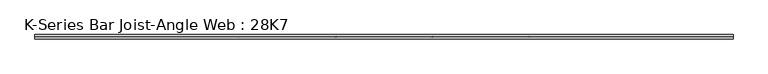
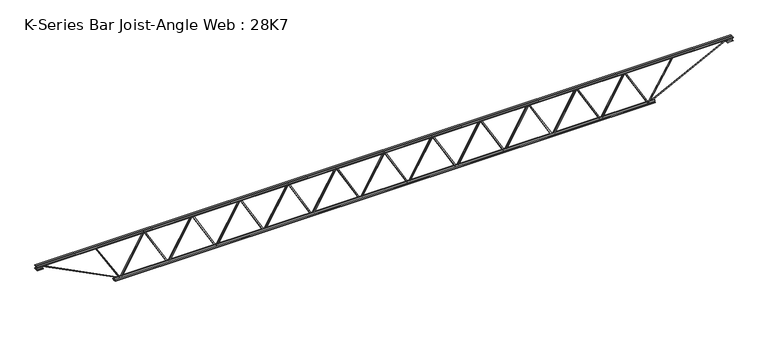
"""IFC4 building model written with IfcOpenShell, lengths in millimetres: beam geometry, K-Series Bar Joist-Angle Web : 28K7."""

from ifc_helpers import new_model, si_unit, frame, origin, place, context, project, spatial, polyline, outline, extrude, faceted_brep, source, transform, mapped, element, save


def k_series_bar_joist_angle_web_28k7_c3dce728(model_context):
    return source(origin(), model_context, "Body", "SolidModel", [
        extrude(outline(polyline([(-4.7625, 4.7625), (-4.7625, 0.0), (-17.4625, 0.0), (-17.4625, 4.7625), (-4.7625, 4.7625)])), frame((3646.3658597, 0.0, -317.5), z_axis=(-0.5000589782106863, 0.0, 0.8659913500208212), x_axis=(0.0, -1.0, 0.0)), (0.0, 0.0, 1.0), 733.2636752),
        extrude(outline(polyline([(-352.425, 3678.3818182), (-333.375, 3678.3818182), (-333.375, 3677.530647), (352.425, 3281.5215561), (352.425, 3263.3227273), (333.375, 3263.3227273), (333.375, 3270.5238984), (-352.425, 3666.5329893), (-352.425, 3678.3818182)])), frame((0.0, 0.0, 0.0), z_axis=(0.0, 1.0, 0.0), x_axis=(0.0, 0.0, 1.0)), (0.0, 0.0, 1.0), 4.7625),
        faceted_brep([(2860.9636364, 0.0, -333.375), (2860.9636364, 0.0, -352.425), (2860.9636364, -4.7625, -352.425), (2860.9636364, -4.7625, -333.375), (2861.8148075, 0.0, -333.375), (3257.8238984, 0.0, 352.425), (3276.0227273, 0.0, 352.425), (3276.0227273, 0.0, 333.375), (3268.8215561, 0.0, 333.375), (2872.8124652, 0.0, -352.425), (2872.8124652, -4.7625, -352.425), (2892.9795949, -4.7625, -317.5), (2888.8553111, -4.7625, -315.1184691), (3255.5303952, -4.7625, 319.8815309), (3259.654679, -4.7625, 317.5), (3268.8215561, -4.7625, 333.375), (3276.0227273, -4.7625, 333.375), (3276.0227273, -4.7625, 352.425), (3257.8238984, -4.7625, 352.425), (2861.8148075, -4.7625, -333.375), (3259.654679, -17.4625, 317.5), (2892.9795949, -17.4625, -317.5), (2888.8553111, -17.4625, -315.1184691), (3255.5303952, -17.4625, 319.8815309)], [[[0, 1, 2, 3]], [[1, 0, 4, 5, 6, 7, 8, 9]], [[2, 1, 9, 10]], [[3, 2, 10, 11, 12, 13, 14, 15, 16, 17, 18, 19]], [[0, 3, 19, 4]], [[9, 8, 15, 14, 20, 21, 11, 10]], [[5, 4, 19, 18]], [[7, 6, 17, 16]], [[8, 7, 16, 15]], [[6, 5, 18, 17]], [[21, 22, 12, 11]], [[20, 14, 13, 23]], [[22, 21, 20, 23]], [[12, 22, 23, 13]]]),
        extrude(outline(polyline([(-4.7625, 4.7625), (-4.7625, 0.0), (-17.4625, 0.0), (-17.4625, 4.7625), (-4.7625, 4.7625)])), frame((2828.9476779, 0.0, -317.5), z_axis=(-0.5000589782106863, 0.0, 0.8659913500208212), x_axis=(0.0, -1.0, 0.0)), (0.0, 0.0, 1.0), 733.2636752),
        extrude(outline(polyline([(-352.425, 2860.9636364), (-333.375, 2860.9636364), (-333.375, 2860.1124652), (352.425, 2464.1033743), (352.425, 2445.9045455), (333.375, 2445.9045455), (333.375, 2453.1057166), (-352.425, 2849.1148075), (-352.425, 2860.9636364)])), frame((0.0, 0.0, 0.0), z_axis=(0.0, 1.0, 0.0), x_axis=(0.0, 0.0, 1.0)), (0.0, 0.0, 1.0), 4.7625),
        faceted_brep([(2043.5454545, 0.0, -333.375), (2043.5454545, 0.0, -352.425), (2043.5454545, -4.7625, -352.425), (2043.5454545, -4.7625, -333.375), (2044.3966257, 0.0, -333.375), (2440.4057166, 0.0, 352.425), (2458.6045455, 0.0, 352.425), (2458.6045455, 0.0, 333.375), (2451.4033743, 0.0, 333.375), (2055.3942834, 0.0, -352.425), (2055.3942834, -4.7625, -352.425), (2075.561413, -4.7625, -317.5), (2071.4371292, -4.7625, -315.1184691), (2438.1122134, -4.7625, 319.8815309), (2442.2364972, -4.7625, 317.5), (2451.4033743, -4.7625, 333.375), (2458.6045455, -4.7625, 333.375), (2458.6045455, -4.7625, 352.425), (2440.4057166, -4.7625, 352.425), (2044.3966257, -4.7625, -333.375), (2442.2364972, -17.4625, 317.5), (2075.561413, -17.4625, -317.5), (2071.4371292, -17.4625, -315.1184691), (2438.1122134, -17.4625, 319.8815309)], [[[0, 1, 2, 3]], [[1, 0, 4, 5, 6, 7, 8, 9]], [[2, 1, 9, 10]], [[3, 2, 10, 11, 12, 13, 14, 15, 16, 17, 18, 19]], [[0, 3, 19, 4]], [[9, 8, 15, 14, 20, 21, 11, 10]], [[5, 4, 19, 18]], [[7, 6, 17, 16]], [[8, 7, 16, 15]], [[6, 5, 18, 17]], [[21, 22, 12, 11]], [[20, 14, 13, 23]], [[22, 21, 20, 23]], [[12, 22, 23, 13]]]),
        extrude(outline(polyline([(-4.7625, 4.7625), (-4.7625, 0.0), (-17.4625, 0.0), (-17.4625, 4.7625), (-4.7625, 4.7625)])), frame((2011.5294961, 0.0, -317.5), z_axis=(-0.5000589782106863, 0.0, 0.8659913500208212), x_axis=(0.0, -1.0, 0.0)), (0.0, 0.0, 1.0), 733.2636752),
        extrude(outline(polyline([(-352.425, 2043.5454545), (-333.375, 2043.5454545), (-333.375, 2042.6942834), (352.425, 1646.6851925), (352.425, 1628.4863636), (333.375, 1628.4863636), (333.375, 1635.6875348), (-352.425, 2031.6966257), (-352.425, 2043.5454545)])), frame((0.0, 0.0, 0.0), z_axis=(0.0, 1.0, 0.0), x_axis=(0.0, 0.0, 1.0)), (0.0, 0.0, 1.0), 4.7625),
        faceted_brep([(1226.1272727, 0.0, -333.375), (1226.1272727, 0.0, -352.425), (1226.1272727, -4.7625, -352.425), (1226.1272727, -4.7625, -333.375), (1226.9784439, 0.0, -333.375), (1622.9875348, 0.0, 352.425), (1641.1863636, 0.0, 352.425), (1641.1863636, 0.0, 333.375), (1633.9851925, 0.0, 333.375), (1237.9761016, 0.0, -352.425), (1237.9761016, -4.7625, -352.425), (1258.1432312, -4.7625, -317.5), (1254.0189474, -4.7625, -315.1184691), (1620.6940316, -4.7625, 319.8815309), (1624.8183154, -4.7625, 317.5), (1633.9851925, -4.7625, 333.375), (1641.1863636, -4.7625, 333.375), (1641.1863636, -4.7625, 352.425), (1622.9875348, -4.7625, 352.425), (1226.9784439, -4.7625, -333.375), (1624.8183154, -17.4625, 317.5), (1258.1432312, -17.4625, -317.5), (1254.0189474, -17.4625, -315.1184691), (1620.6940316, -17.4625, 319.8815309)], [[[0, 1, 2, 3]], [[1, 0, 4, 5, 6, 7, 8, 9]], [[2, 1, 9, 10]], [[3, 2, 10, 11, 12, 13, 14, 15, 16, 17, 18, 19]], [[0, 3, 19, 4]], [[9, 8, 15, 14, 20, 21, 11, 10]], [[5, 4, 19, 18]], [[7, 6, 17, 16]], [[8, 7, 16, 15]], [[6, 5, 18, 17]], [[21, 22, 12, 11]], [[20, 14, 13, 23]], [[22, 21, 20, 23]], [[12, 22, 23, 13]]]),
        extrude(outline(polyline([(-4.7625, 4.7625), (-4.7625, 0.0), (-17.4625, 0.0), (-17.4625, 4.7625), (-4.7625, 4.7625)])), frame((1194.1113142, 0.0, -317.5), z_axis=(-0.5000589782106863, 0.0, 0.8659913500208212), x_axis=(0.0, -1.0, 0.0)), (0.0, 0.0, 1.0), 733.2636752),
        extrude(outline(polyline([(-352.425, 1226.1272727), (-333.375, 1226.1272727), (-333.375, 1225.2761016), (352.425, 829.2670107), (352.425, 811.0681818), (333.375, 811.0681818), (333.375, 818.269353), (-352.425, 1214.2784439), (-352.425, 1226.1272727)])), frame((0.0, 0.0, 0.0), z_axis=(0.0, 1.0, 0.0), x_axis=(0.0, 0.0, 1.0)), (0.0, 0.0, 1.0), 4.7625),
        faceted_brep([(408.7090909, 0.0, -333.375), (408.7090909, 0.0, -352.425), (408.7090909, -4.7625, -352.425), (408.7090909, -4.7625, -333.375), (409.560262, 0.0, -333.375), (805.569353, 0.0, 352.425), (823.7681818, 0.0, 352.425), (823.7681818, 0.0, 333.375), (816.5670107, 0.0, 333.375), (420.5579198, 0.0, -352.425), (420.5579198, -4.7625, -352.425), (440.7250494, -4.7625, -317.5), (436.6007656, -4.7625, -315.1184691), (803.2758498, -4.7625, 319.8815309), (807.4001336, -4.7625, 317.5), (816.5670107, -4.7625, 333.375), (823.7681818, -4.7625, 333.375), (823.7681818, -4.7625, 352.425), (805.569353, -4.7625, 352.425), (409.560262, -4.7625, -333.375), (807.4001336, -17.4625, 317.5), (440.7250494, -17.4625, -317.5), (436.6007656, -17.4625, -315.1184691), (803.2758498, -17.4625, 319.8815309)], [[[0, 1, 2, 3]], [[1, 0, 4, 5, 6, 7, 8, 9]], [[2, 1, 9, 10]], [[3, 2, 10, 11, 12, 13, 14, 15, 16, 17, 18, 19]], [[0, 3, 19, 4]], [[9, 8, 15, 14, 20, 21, 11, 10]], [[5, 4, 19, 18]], [[7, 6, 17, 16]], [[8, 7, 16, 15]], [[6, 5, 18, 17]], [[21, 22, 12, 11]], [[20, 14, 13, 23]], [[22, 21, 20, 23]], [[12, 22, 23, 13]]]),
        extrude(outline(polyline([(-4.7625, 4.7625), (-4.7625, 0.0), (-17.4625, 0.0), (-17.4625, 4.7625), (-4.7625, 4.7625)])), frame((376.6931324, 0.0, -317.5), z_axis=(-0.5000589782106863, 0.0, 0.8659913500208212), x_axis=(0.0, -1.0, 0.0)), (0.0, 0.0, 1.0), 733.2636752),
        extrude(outline(polyline([(-352.425, 408.7090909), (-333.375, 408.7090909), (-333.375, 407.8579198), (352.425, 11.8488289), (352.425, -6.35), (333.375, -6.35), (333.375, 0.8511711), (-352.425, 396.860262), (-352.425, 408.7090909)])), frame((0.0, 0.0, 0.0), z_axis=(0.0, 1.0, 0.0), x_axis=(0.0, 0.0, 1.0)), (0.0, 0.0, 1.0), 4.7625),
        faceted_brep([(-408.7090909, 0.0, -333.375), (-408.7090909, 0.0, -352.425), (-408.7090909, -4.7625, -352.425), (-408.7090909, -4.7625, -333.375), (-407.8579198, 0.0, -333.375), (-11.8488289, 0.0, 352.425), (6.35, 0.0, 352.425), (6.35, 0.0, 333.375), (-0.8511711, 0.0, 333.375), (-396.860262, 0.0, -352.425), (-396.860262, -4.7625, -352.425), (-376.6931324, -4.7625, -317.5), (-380.8174162, -4.7625, -315.1184691), (-14.142332, -4.7625, 319.8815309), (-10.0180482, -4.7625, 317.5), (-0.8511711, -4.7625, 333.375), (6.35, -4.7625, 333.375), (6.35, -4.7625, 352.425), (-11.8488289, -4.7625, 352.425), (-407.8579198, -4.7625, -333.375), (-10.0180482, -17.4625, 317.5), (-376.6931324, -17.4625, -317.5), (-380.8174162, -17.4625, -315.1184691), (-14.142332, -17.4625, 319.8815309)], [[[0, 1, 2, 3]], [[1, 0, 4, 5, 6, 7, 8, 9]], [[2, 1, 9, 10]], [[3, 2, 10, 11, 12, 13, 14, 15, 16, 17, 18, 19]], [[0, 3, 19, 4]], [[9, 8, 15, 14, 20, 21, 11, 10]], [[5, 4, 19, 18]], [[7, 6, 17, 16]], [[8, 7, 16, 15]], [[6, 5, 18, 17]], [[21, 22, 12, 11]], [[20, 14, 13, 23]], [[22, 21, 20, 23]], [[12, 22, 23, 13]]]),
        extrude(outline(polyline([(-4.7625, 4.7625), (-4.7625, 0.0), (-17.4625, 0.0), (-17.4625, 4.7625), (-4.7625, 4.7625)])), frame((-440.7250494, 0.0, -317.5), z_axis=(-0.5000589782106863, 0.0, 0.8659913500208212), x_axis=(0.0, -1.0, 0.0)), (0.0, 0.0, 1.0), 733.2636752),
        extrude(outline(polyline([(-352.425, -408.7090909), (-333.375, -408.7090909), (-333.375, -409.560262), (352.425, -805.569353), (352.425, -823.7681818), (333.375, -823.7681818), (333.375, -816.5670107), (-352.425, -420.5579198), (-352.425, -408.7090909)])), frame((0.0, 0.0, 0.0), z_axis=(0.0, 1.0, 0.0), x_axis=(0.0, 0.0, 1.0)), (0.0, 0.0, 1.0), 4.7625),
        faceted_brep([(-1226.1272727, 0.0, -333.375), (-1226.1272727, 0.0, -352.425), (-1226.1272727, -4.7625, -352.425), (-1226.1272727, -4.7625, -333.375), (-1225.2761016, 0.0, -333.375), (-829.2670107, 0.0, 352.425), (-811.0681818, 0.0, 352.425), (-811.0681818, 0.0, 333.375), (-818.269353, 0.0, 333.375), (-1214.2784439, 0.0, -352.425), (-1214.2784439, -4.7625, -352.425), (-1194.1113142, -4.7625, -317.5), (-1198.235598, -4.7625, -315.1184691), (-831.5605139, -4.7625, 319.8815309), (-827.4362301, -4.7625, 317.5), (-818.269353, -4.7625, 333.375), (-811.0681818, -4.7625, 333.375), (-811.0681818, -4.7625, 352.425), (-829.2670107, -4.7625, 352.425), (-1225.2761016, -4.7625, -333.375), (-827.4362301, -17.4625, 317.5), (-1194.1113142, -17.4625, -317.5), (-1198.235598, -17.4625, -315.1184691), (-831.5605139, -17.4625, 319.8815309)], [[[0, 1, 2, 3]], [[1, 0, 4, 5, 6, 7, 8, 9]], [[2, 1, 9, 10]], [[3, 2, 10, 11, 12, 13, 14, 15, 16, 17, 18, 19]], [[0, 3, 19, 4]], [[9, 8, 15, 14, 20, 21, 11, 10]], [[5, 4, 19, 18]], [[7, 6, 17, 16]], [[8, 7, 16, 15]], [[6, 5, 18, 17]], [[21, 22, 12, 11]], [[20, 14, 13, 23]], [[22, 21, 20, 23]], [[12, 22, 23, 13]]]),
        extrude(outline(polyline([(-4.7625, 4.7625), (-4.7625, 0.0), (-17.4625, 0.0), (-17.4625, 4.7625), (-4.7625, 4.7625)])), frame((-1258.1432312, 0.0, -317.5), z_axis=(-0.5000589782106863, 0.0, 0.8659913500208212), x_axis=(0.0, -1.0, 0.0)), (0.0, 0.0, 1.0), 733.2636752),
        extrude(outline(polyline([(-352.425, -1226.1272727), (-333.375, -1226.1272727), (-333.375, -1226.9784439), (352.425, -1622.9875348), (352.425, -1641.1863636), (333.375, -1641.1863636), (333.375, -1633.9851925), (-352.425, -1237.9761016), (-352.425, -1226.1272727)])), frame((0.0, 0.0, 0.0), z_axis=(0.0, 1.0, 0.0), x_axis=(0.0, 0.0, 1.0)), (0.0, 0.0, 1.0), 4.7625),
        faceted_brep([(-2043.5454545, 0.0, -333.375), (-2043.5454545, 0.0, -352.425), (-2043.5454545, -4.7625, -352.425), (-2043.5454545, -4.7625, -333.375), (-2042.6942834, 0.0, -333.375), (-1646.6851925, 0.0, 352.425), (-1628.4863636, 0.0, 352.425), (-1628.4863636, 0.0, 333.375), (-1635.6875348, 0.0, 333.375), (-2031.6966257, 0.0, -352.425), (-2031.6966257, -4.7625, -352.425), (-2011.5294961, -4.7625, -317.5), (-2015.6537799, -4.7625, -315.1184691), (-1648.9786957, -4.7625, 319.8815309), (-1644.8544119, -4.7625, 317.5), (-1635.6875348, -4.7625, 333.375), (-1628.4863636, -4.7625, 333.375), (-1628.4863636, -4.7625, 352.425), (-1646.6851925, -4.7625, 352.425), (-2042.6942834, -4.7625, -333.375), (-1644.8544119, -17.4625, 317.5), (-2011.5294961, -17.4625, -317.5), (-2015.6537799, -17.4625, -315.1184691), (-1648.9786957, -17.4625, 319.8815309)], [[[0, 1, 2, 3]], [[1, 0, 4, 5, 6, 7, 8, 9]], [[2, 1, 9, 10]], [[3, 2, 10, 11, 12, 13, 14, 15, 16, 17, 18, 19]], [[0, 3, 19, 4]], [[9, 8, 15, 14, 20, 21, 11, 10]], [[5, 4, 19, 18]], [[7, 6, 17, 16]], [[8, 7, 16, 15]], [[6, 5, 18, 17]], [[21, 22, 12, 11]], [[20, 14, 13, 23]], [[22, 21, 20, 23]], [[12, 22, 23, 13]]]),
        extrude(outline(polyline([(-4.7625, 4.7625), (-4.7625, 0.0), (-17.4625, 0.0), (-17.4625, 4.7625), (-4.7625, 4.7625)])), frame((-2075.561413, 0.0, -317.5), z_axis=(-0.5000589782106863, 0.0, 0.8659913500208212), x_axis=(0.0, -1.0, 0.0)), (0.0, 0.0, 1.0), 733.2636752),
        extrude(outline(polyline([(-352.425, -2043.5454545), (-333.375, -2043.5454545), (-333.375, -2044.3966257), (352.425, -2440.4057166), (352.425, -2458.6045455), (333.375, -2458.6045455), (333.375, -2451.4033743), (-352.425, -2055.3942834), (-352.425, -2043.5454545)])), frame((0.0, 0.0, 0.0), z_axis=(0.0, 1.0, 0.0), x_axis=(0.0, 0.0, 1.0)), (0.0, 0.0, 1.0), 4.7625),
        faceted_brep([(-2860.9636364, 0.0, -333.375), (-2860.9636364, 0.0, -352.425), (-2860.9636364, -4.7625, -352.425), (-2860.9636364, -4.7625, -333.375), (-2860.1124652, 0.0, -333.375), (-2464.1033743, 0.0, 352.425), (-2445.9045455, 0.0, 352.425), (-2445.9045455, 0.0, 333.375), (-2453.1057166, 0.0, 333.375), (-2849.1148075, 0.0, -352.425), (-2849.1148075, -4.7625, -352.425), (-2828.9476779, -4.7625, -317.5), (-2833.0719617, -4.7625, -315.1184691), (-2466.3968775, -4.7625, 319.8815309), (-2462.2725937, -4.7625, 317.5), (-2453.1057166, -4.7625, 333.375), (-2445.9045455, -4.7625, 333.375), (-2445.9045455, -4.7625, 352.425), (-2464.1033743, -4.7625, 352.425), (-2860.1124652, -4.7625, -333.375), (-2462.2725937, -17.4625, 317.5), (-2828.9476779, -17.4625, -317.5), (-2833.0719617, -17.4625, -315.1184691), (-2466.3968775, -17.4625, 319.8815309)], [[[0, 1, 2, 3]], [[1, 0, 4, 5, 6, 7, 8, 9]], [[2, 1, 9, 10]], [[3, 2, 10, 11, 12, 13, 14, 15, 16, 17, 18, 19]], [[0, 3, 19, 4]], [[9, 8, 15, 14, 20, 21, 11, 10]], [[5, 4, 19, 18]], [[7, 6, 17, 16]], [[8, 7, 16, 15]], [[6, 5, 18, 17]], [[21, 22, 12, 11]], [[20, 14, 13, 23]], [[22, 21, 20, 23]], [[12, 22, 23, 13]]]),
        extrude(outline(polyline([(-4.7625, 4.7625), (-4.7625, 0.0), (-17.4625, 0.0), (-17.4625, 4.7625), (-4.7625, 4.7625)])), frame((-2892.9795949, 0.0, -317.5), z_axis=(-0.5000589782106863, 0.0, 0.8659913500208212), x_axis=(0.0, -1.0, 0.0)), (0.0, 0.0, 1.0), 733.2636752),
        extrude(outline(polyline([(-352.425, -2860.9636364), (-333.375, -2860.9636364), (-333.375, -2861.8148075), (352.425, -3257.8238984), (352.425, -3276.0227273), (333.375, -3276.0227273), (333.375, -3268.8215561), (-352.425, -2872.8124652), (-352.425, -2860.9636364)])), frame((0.0, 0.0, 0.0), z_axis=(0.0, 1.0, 0.0), x_axis=(0.0, 0.0, 1.0)), (0.0, 0.0, 1.0), 4.7625),
        faceted_brep([(-3678.3818182, 0.0, -333.375), (-3678.3818182, 0.0, -352.425), (-3678.3818182, -4.7625, -352.425), (-3678.3818182, -4.7625, -333.375), (-3677.530647, 0.0, -333.375), (-3281.5215561, 0.0, 352.425), (-3263.3227273, 0.0, 352.425), (-3263.3227273, 0.0, 333.375), (-3270.5238984, 0.0, 333.375), (-3666.5329893, 0.0, -352.425), (-3666.5329893, -4.7625, -352.425), (-3646.3658597, -4.7625, -317.5), (-3650.4901435, -4.7625, -315.1184691), (-3283.8150593, -4.7625, 319.8815309), (-3279.6907755, -4.7625, 317.5), (-3270.5238984, -4.7625, 333.375), (-3263.3227273, -4.7625, 333.375), (-3263.3227273, -4.7625, 352.425), (-3281.5215561, -4.7625, 352.425), (-3677.530647, -4.7625, -333.375), (-3279.6907755, -17.4625, 317.5), (-3646.3658597, -17.4625, -317.5), (-3650.4901435, -17.4625, -315.1184691), (-3283.8150593, -17.4625, 319.8815309)], [[[0, 1, 2, 3]], [[1, 0, 4, 5, 6, 7, 8, 9]], [[2, 1, 9, 10]], [[3, 2, 10, 11, 12, 13, 14, 15, 16, 17, 18, 19]], [[0, 3, 19, 4]], [[9, 8, 15, 14, 20, 21, 11, 10]], [[5, 4, 19, 18]], [[7, 6, 17, 16]], [[8, 7, 16, 15]], [[6, 5, 18, 17]], [[21, 22, 12, 11]], [[20, 14, 13, 23]], [[22, 21, 20, 23]], [[12, 22, 23, 13]]]),
        extrude(outline(polyline([(-4.7625, 4.7625), (-4.7625, 0.0), (-17.4625, 0.0), (-17.4625, 4.7625), (-4.7625, 4.7625)])), frame((4463.7840415, 0.0, -317.5), z_axis=(-0.5000589782106863, 0.0, 0.8659913500208212), x_axis=(0.0, -1.0, 0.0)), (0.0, 0.0, 1.0), 733.2636752),
        extrude(outline(polyline([(-352.425, 4495.8), (-333.375, 4495.8), (-333.375, 4494.9488289), (352.425, 4098.939738), (352.425, 4080.7409091), (333.375, 4080.7409091), (333.375, 4087.9420802), (-352.425, 4483.9511711), (-352.425, 4495.8)])), frame((0.0, 0.0, 0.0), z_axis=(0.0, 1.0, 0.0), x_axis=(0.0, 0.0, 1.0)), (0.0, 0.0, 1.0), 4.7625),
        faceted_brep([(3678.3818182, 0.0, -333.375), (3678.3818182, 0.0, -352.425), (3678.3818182, -4.7625, -352.425), (3678.3818182, -4.7625, -333.375), (3679.2329893, 0.0, -333.375), (4075.2420802, 0.0, 352.425), (4093.4409091, 0.0, 352.425), (4093.4409091, 0.0, 333.375), (4086.239738, 0.0, 333.375), (3690.230647, 0.0, -352.425), (3690.230647, -4.7625, -352.425), (3710.3977767, -4.7625, -317.5), (3706.2734929, -4.7625, -315.1184691), (4072.948577, -4.7625, 319.8815309), (4077.0728609, -4.7625, 317.5), (4086.239738, -4.7625, 333.375), (4093.4409091, -4.7625, 333.375), (4093.4409091, -4.7625, 352.425), (4075.2420802, -4.7625, 352.425), (3679.2329893, -4.7625, -333.375), (4077.0728609, -17.4625, 317.5), (3710.3977767, -17.4625, -317.5), (3706.2734929, -17.4625, -315.1184691), (4072.948577, -17.4625, 319.8815309)], [[[0, 1, 2, 3]], [[1, 0, 4, 5, 6, 7, 8, 9]], [[2, 1, 9, 10]], [[3, 2, 10, 11, 12, 13, 14, 15, 16, 17, 18, 19]], [[0, 3, 19, 4]], [[9, 8, 15, 14, 20, 21, 11, 10]], [[5, 4, 19, 18]], [[7, 6, 17, 16]], [[8, 7, 16, 15]], [[6, 5, 18, 17]], [[21, 22, 12, 11]], [[20, 14, 13, 23]], [[22, 21, 20, 23]], [[12, 22, 23, 13]]]),
        extrude(outline(polyline([(-4.7625, 4.7625), (-4.7625, 0.0), (-17.4625, 0.0), (-17.4625, 4.7625), (-4.7625, 4.7625)])), frame((-3710.3977767, 0.0, -317.5), z_axis=(-0.5000589782106863, 0.0, 0.8659913500208212), x_axis=(0.0, -1.0, 0.0)), (0.0, 0.0, 1.0), 733.2636752),
        extrude(outline(polyline([(-352.425, -3678.3818182), (-333.375, -3678.3818182), (-333.375, -3679.2329893), (352.425, -4075.2420802), (352.425, -4093.4409091), (333.375, -4093.4409091), (333.375, -4086.239738), (-352.425, -3690.230647), (-352.425, -3678.3818182)])), frame((0.0, 0.0, 0.0), z_axis=(0.0, 1.0, 0.0), x_axis=(0.0, 0.0, 1.0)), (0.0, 0.0, 1.0), 4.7625),
        faceted_brep([(-4495.8, 0.0, -333.375), (-4495.8, 0.0, -352.425), (-4495.8, -4.7625, -352.425), (-4495.8, -4.7625, -333.375), (-4494.9488289, 0.0, -333.375), (-4098.939738, 0.0, 352.425), (-4080.7409091, 0.0, 352.425), (-4080.7409091, 0.0, 333.375), (-4087.9420802, 0.0, 333.375), (-4483.9511711, 0.0, -352.425), (-4483.9511711, -4.7625, -352.425), (-4463.7840415, -4.7625, -317.5), (-4467.9083253, -4.7625, -315.1184691), (-4101.2332411, -4.7625, 319.8815309), (-4097.1089573, -4.7625, 317.5), (-4087.9420802, -4.7625, 333.375), (-4080.7409091, -4.7625, 333.375), (-4080.7409091, -4.7625, 352.425), (-4098.939738, -4.7625, 352.425), (-4494.9488289, -4.7625, -333.375), (-4097.1089573, -17.4625, 317.5), (-4463.7840415, -17.4625, -317.5), (-4467.9083253, -17.4625, -315.1184691), (-4101.2332411, -17.4625, 319.8815309)], [[[0, 1, 2, 3]], [[1, 0, 4, 5, 6, 7, 8, 9]], [[2, 1, 9, 10]], [[3, 2, 10, 11, 12, 13, 14, 15, 16, 17, 18, 19]], [[0, 3, 19, 4]], [[9, 8, 15, 14, 20, 21, 11, 10]], [[5, 4, 19, 18]], [[7, 6, 17, 16]], [[8, 7, 16, 15]], [[6, 5, 18, 17]], [[21, 22, 12, 11]], [[20, 14, 13, 23]], [[22, 21, 20, 23]], [[12, 22, 23, 13]]]),
        extrude(outline(polyline([(4.7625, 355.6), (36.5125, 355.6), (36.5125, 349.25), (11.1125, 349.25), (11.1125, 323.85), (4.7625, 323.85), (4.7625, 355.6)])), frame((-5918.2, 0.0, 0.0), z_axis=(1.0, 0.0, 0.0), x_axis=(0.0, 1.0, 0.0)), (0.0, 0.0, 1.0), 11836.4),
        extrude(outline(polyline([(-4.7625, 355.6), (-4.7625, 323.85), (-11.1125, 323.85), (-11.1125, 349.25), (-36.5125, 349.25), (-36.5125, 355.6), (-4.7625, 355.6)])), frame((-5918.2, 0.0, 0.0), z_axis=(1.0, 0.0, 0.0), x_axis=(0.0, 1.0, 0.0)), (0.0, 0.0, 1.0), 11836.4),
        extrude(outline(polyline([(-4.7625, 292.1), (-36.5125, 292.1), (-36.5125, 298.45), (-11.1125, 298.45), (-11.1125, 323.85), (-4.7625, 323.85), (-4.7625, 292.1)])), frame((-5918.2, 0.0, 0.0), z_axis=(1.0, 0.0, 0.0), x_axis=(0.0, 1.0, 0.0)), (0.0, 0.0, 1.0), 101.6),
        extrude(outline(polyline([(36.5125, 292.1), (4.7625, 292.1), (4.7625, 323.85), (11.1125, 323.85), (11.1125, 298.45), (36.5125, 298.45), (36.5125, 292.1)])), frame((-5918.2, 0.0, 0.0), z_axis=(1.0, 0.0, 0.0), x_axis=(0.0, 1.0, 0.0)), (0.0, 0.0, 1.0), 101.6),
        extrude(outline(polyline([(4.7625, 292.1), (4.7625, 323.85), (11.1125, 323.85), (11.1125, 298.45), (36.5125, 298.45), (36.5125, 292.1), (4.7625, 292.1)])), frame((5816.6, 0.0, 0.0), z_axis=(1.0, 0.0, 0.0), x_axis=(0.0, 1.0, 0.0)), (0.0, 0.0, 1.0), 101.6),
        extrude(outline(polyline([(-4.7625, 292.1), (-36.5125, 292.1), (-36.5125, 298.45), (-11.1125, 298.45), (-11.1125, 323.85), (-4.7625, 323.85), (-4.7625, 292.1)])), frame((5816.6, 0.0, 0.0), z_axis=(1.0, 0.0, 0.0), x_axis=(0.0, 1.0, 0.0)), (0.0, 0.0, 1.0), 101.6),
        extrude(outline(polyline([(4.7625, -355.6), (4.7625, -323.85), (11.1125, -323.85), (11.1125, -349.25), (36.5125, -349.25), (36.5125, -355.6), (4.7625, -355.6)])), frame((-4597.4, 0.0, 0.0), z_axis=(1.0, 0.0, 0.0), x_axis=(0.0, 1.0, 0.0)), (0.0, 0.0, 1.0), 9194.8),
        extrude(outline(polyline([(-4.7625, -355.6), (-36.5125, -355.6), (-36.5125, -349.25), (-11.1125, -349.25), (-11.1125, -323.85), (-4.7625, -323.85), (-4.7625, -355.6)])), frame((-4597.4, 0.0, 0.0), z_axis=(1.0, 0.0, 0.0), x_axis=(0.0, 1.0, 0.0)), (0.0, 0.0, 1.0), 9194.8),
        extrude(outline(polyline([(4.7625, 4.7625), (4.7625, -4.7625), (-4.7625, -4.7625), (-4.7625, 4.7625), (4.7625, 4.7625)])), frame((4495.8, 0.0, -349.25), z_axis=(0.5190163929431233, 0.0, 0.8547642855526368), x_axis=(0.0, -1.0, 0.0)), (0.0, 0.0, 1.0), 787.4685587),
        extrude(outline(polyline([(4.7625, 4.7625), (4.7625, -4.7625), (-4.7625, -4.7625), (-4.7625, 4.7625), (4.7625, 4.7625)])), frame((-4495.8, 0.0, -349.25), z_axis=(-0.5190163929431058, 0.0, 0.8547642855526474), x_axis=(0.0, -1.0, 0.0)), (0.0, 0.0, 1.0), 787.4685587),
        extrude(outline(polyline([(0.0, -9.525), (0.0, 0.0), (1482.4224263, 0.0), (1482.4224263, -9.525), (0.0, -9.525)])), frame((5818.7624327, -4.7625, 319.6067358), z_axis=(-0.45405411309056853, 0.0, 0.8909741087066095), x_axis=(-0.8909741087066095, 0.0, -0.45405411309056853)), (0.0, 0.0, 1.0), 9.525),
        extrude(outline(polyline([(0.0, -9.525), (0.0, 0.0), (1482.4224263, 0.0), (1482.4224263, -9.525), (0.0, -9.525)])), frame((-5818.7624327, 4.7625, 319.6067358), z_axis=(0.45405411309056837, 0.0, 0.8909741087066096), x_axis=(0.8909741087066096, 0.0, -0.45405411309056837)), (0.0, 0.0, 1.0), 9.525),
    ])


if __name__ == "__main__":
    model = new_model("IFC4")
    model_context = context("Model", 3, world=origin())
    ifc_project = project(units=[si_unit("LENGTHUNIT", "METRE", prefix="MILLI")], contexts=[model_context])
    site = spatial("IfcSite", under=ifc_project)
    building = spatial("IfcBuilding", under=site)
    placement = place(None, origin())
    k_series_bar_joist_angle_web_28k7_shape = k_series_bar_joist_angle_web_28k7_c3dce728(model_context)
    element("IfcBeam", 1, ObjectType="K-Series Bar Joist-Angle Web : 28K7", at=placement, inside=building, context=model_context, shape_type="MappedRepresentation", body=[
        mapped(k_series_bar_joist_angle_web_28k7_shape, transform((0.0, 0.0, 0.0), x_axis=(1.0, 0.0, 0.0), y_axis=(0.0, 1.0, 0.0), z_axis=(0.0, 0.0, 1.0))),
    ])
    save(model, "model.ifc")
